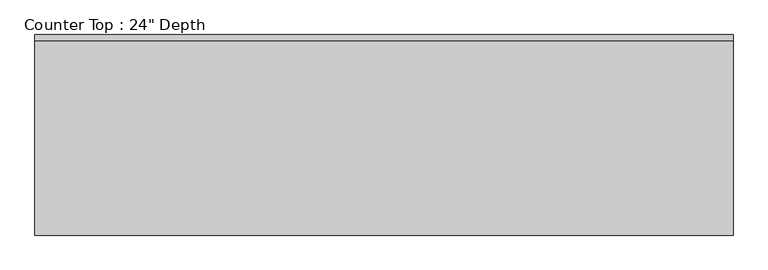
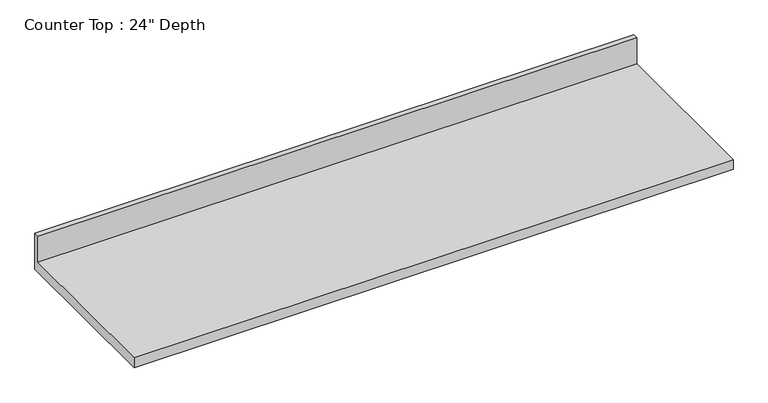
"""IFC4 building model written with IfcOpenShell, lengths in millimetres: furniture geometry."""

from ifc_helpers import new_model, si_unit, frame, origin, place, context, project, spatial, polyline, outline, extrude, source, transform, mapped, element, save


def furniture_170d7c34(model_context):
    return source(origin(), model_context, "Body", "SweptSolid", [
        extrude(outline(polyline([(0.0, 1016.0), (0.0, 876.3), (-635.0, 876.3), (-635.0, 914.4), (-19.05, 914.4), (-19.05, 1016.0), (0.0, 1016.0)])), frame((-1200.4622951, 0.0, 0.0), z_axis=(1.0, 0.0, 0.0), x_axis=(0.0, 1.0, 0.0)), (0.0, 0.0, 1.0), 2209.8),
    ])


if __name__ == "__main__":
    model = new_model("IFC4")
    model_context = context("Model", 3, world=origin())
    ifc_project = project(units=[si_unit("LENGTHUNIT", "METRE", prefix="MILLI")], contexts=[model_context])
    site = spatial("IfcSite", under=ifc_project)
    building = spatial("IfcBuilding", under=site)
    placement = place(None, origin())
    furniture_shape = furniture_170d7c34(model_context)
    element("IfcFurniture", 1, ObjectType="Counter Top : 24\" Depth", at=placement, inside=building, context=model_context, shape_type="MappedRepresentation", body=[
        mapped(furniture_shape, transform((0.0, 0.0, 0.0), x_axis=(1.0, 0.0, 0.0), y_axis=(0.0, 1.0, 0.0), z_axis=(0.0, 0.0, 1.0))),
    ])
    save(model, "model.ifc")
